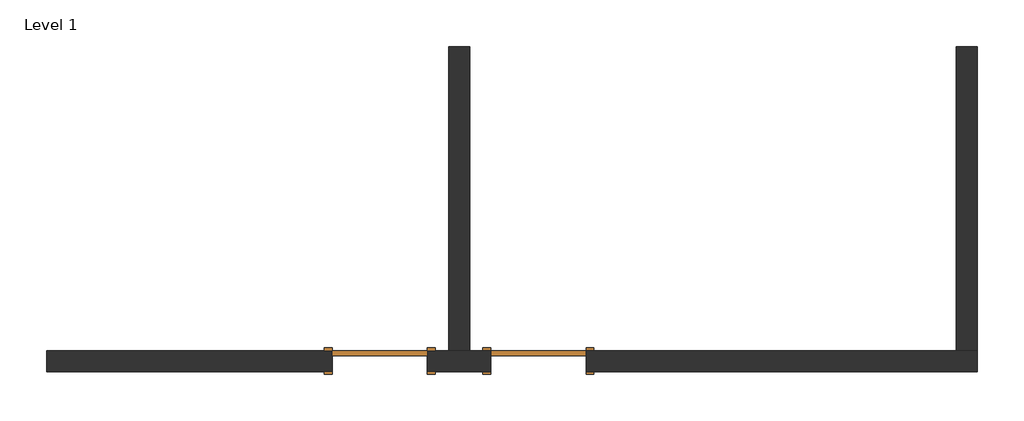
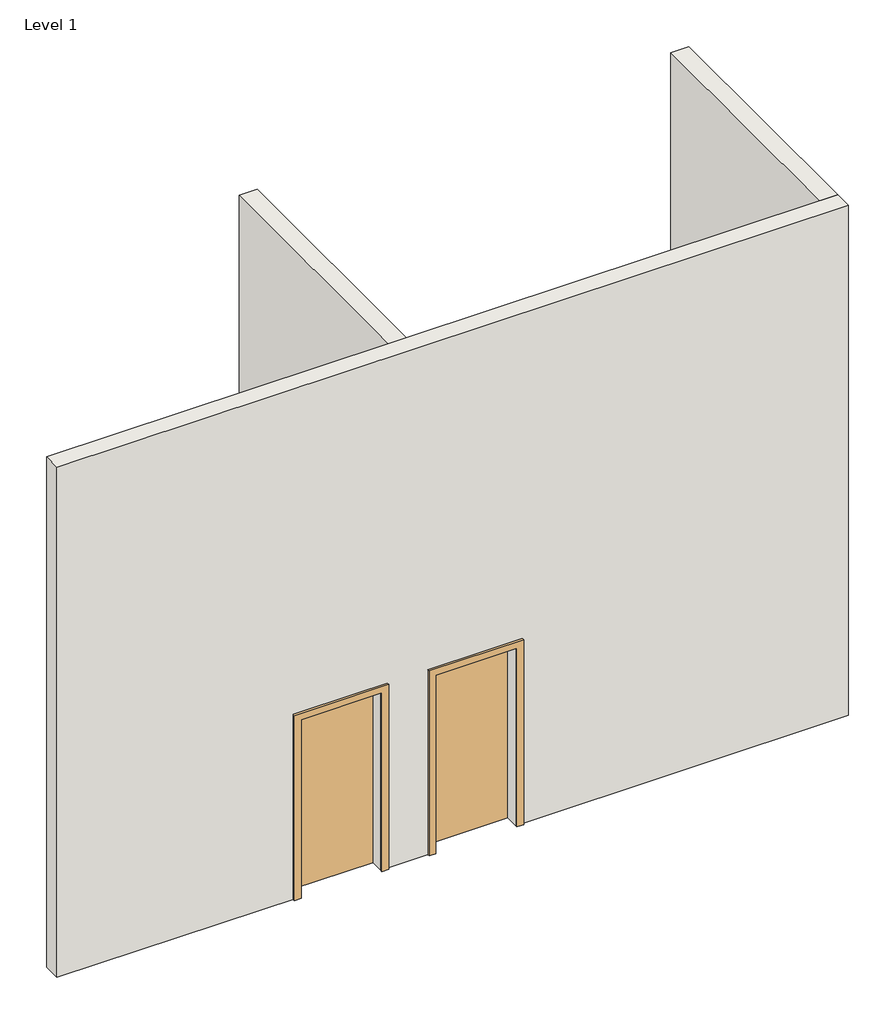
# One storey: 3 walls, 2 doors.
"""IFC4 building model written with IfcOpenShell, lengths in millimetres."""

import ifcopenshell
import ifcopenshell.guid

model = None  # the IFC model being written
_history = None  # IfcOwnerHistory: only IFC2X3 demands one
_inside = {}  # id of a spatial element -> (the spatial element, [elements in it])
_under = {}  # id of a project, library or spatial element -> (it, [spatial elements below it])
_declared = {}  # id of a project -> (the project, [libraries it declares])
_typed = {}  # id of a type object -> (the type object, [elements of that type])
_made_of = {}  # id of a material, layer set ... -> (it, [elements and type objects made of it])


def new_model(schema):
    """Start an empty IFC model of exactly this schema.

    Asked for "IFC4X3", IfcOpenShell would pick the latest addendum, in which some entities
    have other attributes; the version numbers below select the first issue.
    IFC2X3 requires an IfcOwnerHistory on every rooted entity: one is made here for all.
    """
    global model, _history
    if schema == "IFC4X3":
        model = ifcopenshell.file(schema_version=(4, 3, 0, 0))
    else:
        model = ifcopenshell.file(schema=schema)
    _inside.clear()
    _under.clear()
    _declared.clear()
    _typed.clear()
    _made_of.clear()
    _history = None
    if model.schema == "IFC2X3":
        org = make("IfcOrganization", Name="unknown")
        user = make(
            "IfcPersonAndOrganization",
            ThePerson=make("IfcPerson", FamilyName="unknown"),
            TheOrganization=org,
        )
        app = make(
            "IfcApplication",
            ApplicationDeveloper=org,
            Version="unknown",
            ApplicationFullName="unknown",
            ApplicationIdentifier="unknown",
        )
        _history = make(
            "IfcOwnerHistory",
            OwningUser=user,
            OwningApplication=app,
            ChangeAction="ADDED",
            CreationDate=0,
        )
    return model


def make(cls, **values):
    """One entity of the class cls with the attributes given. An attribute that is None is left unset."""
    return model.create_entity(
        cls, **{name: value for name, value in values.items() if value is not None}
    )


def rooted(cls, **values):
    """An entity with a GlobalId (a new one), such as an element, a storey or a relation."""
    return make(cls, GlobalId=ifcopenshell.guid.new(), OwnerHistory=_history, **values)


def si_unit(unit_type, name, prefix=None):
    """IfcSIUnit, for example si_unit("LENGTHUNIT", "METRE", prefix="MILLI")."""
    return make("IfcSIUnit", UnitType=unit_type, Prefix=prefix, Name=name)


def assignment(units):
    """IfcUnitAssignment: the units of a project."""
    return None if units is None else make("IfcUnitAssignment", Units=units)


def point(xyz):
    """IfcCartesianPoint."""
    return None if xyz is None else make("IfcCartesianPoint", Coordinates=xyz)


def direction(xyz):
    """IfcDirection."""
    return None if xyz is None else make("IfcDirection", DirectionRatios=xyz)


def frame(location, z_axis=None, x_axis=None):
    """IfcAxis2Placement3D, a coordinate frame: its origin and axes. An axis left out is left unset."""
    return make(
        "IfcAxis2Placement3D",
        Location=point(location),
        Axis=direction(z_axis),
        RefDirection=direction(x_axis),
    )


def origin():
    """The frame at (0, 0, 0) with its axes left unset."""
    return frame((0.0, 0.0, 0.0))


def origin_with_axes():
    """The frame at (0, 0, 0) with the z axis (0, 0, 1) and the x axis (1, 0, 0) written out."""
    return frame((0.0, 0.0, 0.0), z_axis=(0.0, 0.0, 1.0), x_axis=(1.0, 0.0, 0.0))


def place(relative_to, where):
    """IfcLocalPlacement: puts the frame where relative to a parent placement (None: the world)."""
    return make(
        "IfcLocalPlacement", PlacementRelTo=relative_to, RelativePlacement=where
    )


def context(
    kind, dimensions, precision=None, world=None, true_north=None, identifier=None
):
    """IfcGeometricRepresentationContext, for example the 3D "Model" context."""
    return make(
        "IfcGeometricRepresentationContext",
        ContextIdentifier=identifier,
        ContextType=kind,
        CoordinateSpaceDimension=dimensions,
        Precision=precision,
        WorldCoordinateSystem=world,
        TrueNorth=true_north,
    )


def project(units=None, contexts=None):
    """IfcProject with its units and contexts."""
    return rooted(
        "IfcProject",
        Name="project",
        RepresentationContexts=contexts,
        UnitsInContext=assignment(units),
    )


def spatial(cls, under=None, at=None, **own):
    """A site, building, storey or space (cls), placed at a placement, below another one or the project."""
    s = rooted(cls, ObjectPlacement=at, **own)
    if under is not None:
        _under.setdefault(under.id(), (under, []))[1].append(s)
    return s


def polyline(points):
    """IfcPolyline through the points."""
    return make("IfcPolyline", Points=[point(p) for p in points])


def outline(outer, holes=None, kind="AREA"):
    """IfcArbitraryClosedProfileDef: a profile drawn as a closed curve; with holes, ...WithVoids."""
    if holes is None:
        return make("IfcArbitraryClosedProfileDef", ProfileType=kind, OuterCurve=outer)
    return make(
        "IfcArbitraryProfileDefWithVoids",
        ProfileType=kind,
        OuterCurve=outer,
        InnerCurves=holes,
    )


def extrude(swept, where, along, depth):
    """IfcExtrudedAreaSolid: the profile swept, set in the frame where, extruded along a direction by depth."""
    return make(
        "IfcExtrudedAreaSolid",
        SweptArea=swept,
        Position=where,
        ExtrudedDirection=direction(along),
        Depth=depth,
    )


def faces_of(points, faces, orient=None, outer=None):
    """IfcFace entities. A face is a list of loops; a loop is a list of indices into points, from 0.

    orient and outer hold one flag for each loop. By default every Orientation is true, the
    first loop of a face is its IfcFaceOuterBound and the others are IfcFaceBound.
    """
    made = []
    for i, loops in enumerate(faces):
        bounds = []
        for j, loop in enumerate(loops):
            is_outer = j == 0 if outer is None else outer[i][j]
            bounds.append(
                make(
                    "IfcFaceOuterBound" if is_outer else "IfcFaceBound",
                    Bound=make("IfcPolyLoop", Polygon=[points[k] for k in loop]),
                    Orientation=True if orient is None else orient[i][j],
                )
            )
        made.append(make("IfcFace", Bounds=bounds))
    return made


def faceted_brep(points, faces, orient=None, outer=None, voids=None):
    """IfcFacetedBrep: a solid bounded by flat faces; with voids (closed shells), ...WithVoids."""
    shared = [point(p) for p in points]
    hull = make("IfcClosedShell", CfsFaces=faces_of(shared, faces, orient, outer))
    if voids is None:
        return make("IfcFacetedBrep", Outer=hull)
    return make(
        "IfcFacetedBrepWithVoids",
        Outer=hull,
        Voids=[
            make(cls, CfsFaces=faces_of(shared, fs, o, b)) for cls, fs, o, b in voids
        ],
    )


def shape(context_of_items, identifier, shape_type, items):
    """IfcShapeRepresentation: the items that make up one representation, for example the "Body"."""
    return make(
        "IfcShapeRepresentation",
        ContextOfItems=context_of_items,
        RepresentationIdentifier=identifier,
        RepresentationType=shape_type,
        Items=items,
    )


def source(mapping_origin, context_of_items, identifier, shape_type, items):
    """IfcRepresentationMap: a shape defined once, which mapped items show again and again."""
    return make(
        "IfcRepresentationMap",
        MappingOrigin=mapping_origin,
        MappedRepresentation=shape(context_of_items, identifier, shape_type, items),
    )


def transform(
    local_origin,
    x_axis=None,
    y_axis=None,
    z_axis=None,
    scale=None,
    scale2=None,
    scale3=None,
    uniform=True,
):
    """IfcCartesianTransformationOperator3D, or its non-uniform kind. x_axis, y_axis, z_axis: its Axis1, 2, 3."""
    if uniform:
        return make(
            "IfcCartesianTransformationOperator3D",
            Axis1=direction(x_axis),
            Axis2=direction(y_axis),
            LocalOrigin=point(local_origin),
            Scale=scale,
            Axis3=direction(z_axis),
        )
    return make(
        "IfcCartesianTransformationOperator3DnonUniform",
        Axis1=direction(x_axis),
        Axis2=direction(y_axis),
        LocalOrigin=point(local_origin),
        Scale=scale,
        Axis3=direction(z_axis),
        Scale2=scale2,
        Scale3=scale3,
    )


def mapped(mapping_source, mapping_target):
    """IfcMappedItem: shows the shape of a source again, moved by a transform."""
    return make(
        "IfcMappedItem", MappingSource=mapping_source, MappingTarget=mapping_target
    )


def made_of(thing, what):
    """Note that an element or type object is made of a material, layer set ...; save() writes the relation."""
    if what is not None:
        _made_of.setdefault(what.id(), (what, []))[1].append(thing)
    return thing


def element(
    cls,
    number,
    at=None,
    inside=None,
    cuts=None,
    type_object=None,
    material=None,
    context=None,
    identifier="Body",
    shape_type=None,
    held_by="IfcProductDefinitionShape",
    body=None,
    shapes=None,
    **own,
):
    """One element of the class cls, such as IfcWall. Its Tag is "e" and its number.

    at: its placement. inside: the storey or other place that contains it. cuts: it is an
    opening in that element (IfcRelVoidsElement). A single representation is given by context,
    identifier, shape_type and body (its items); several are given by shapes. held_by: the class
    of the entity that holds the representations. save() writes the other relations.
    """
    e = rooted(cls, Tag="e%d" % number, ObjectPlacement=at, **own)
    if body is not None:
        shapes = [shape(context, identifier, shape_type, body)]
    if shapes is not None:
        e.Representation = make(held_by, Representations=shapes)
    if inside is not None:
        _inside.setdefault(inside.id(), (inside, []))[1].append(e)
    if cuts is not None:
        rooted(
            "IfcRelVoidsElement", RelatingBuildingElement=cuts, RelatedOpeningElement=e
        )
    if type_object is not None:
        _typed.setdefault(type_object.id(), (type_object, []))[1].append(e)
    return made_of(e, material)


def aggregate(whole, parts):
    """IfcRelAggregates: a whole, such as a stair, and the parts it consists of."""
    return rooted("IfcRelAggregates", RelatingObject=whole, RelatedObjects=parts)


def save(model, path):
    """Write the relations noted so far, then the file.

    IfcRelAggregates (storeys below a building ...), IfcRelContainedInSpatialStructure (elements
    in a storey), IfcRelDefinesByType, IfcRelAssociatesMaterial and IfcRelDeclares: one each for
    every whole, place, type object, material and project.
    """
    for whole, parts in _under.values():
        aggregate(whole, parts)
    for where, things in _inside.values():
        rooted(
            "IfcRelContainedInSpatialStructure",
            RelatedElements=things,
            RelatingStructure=where,
        )
    for kind, things in _typed.values():
        rooted("IfcRelDefinesByType", RelatedObjects=things, RelatingType=kind)
    for what, things in _made_of.values():
        rooted("IfcRelAssociatesMaterial", RelatedObjects=things, RelatingMaterial=what)
    for by, libraries in _declared.values():
        rooted("IfcRelDeclares", RelatingContext=by, RelatedDefinitions=libraries)
    model.write(path)


def door_8cd1e491(model_context):
    return source(origin(), model_context, "Body", "SweptSolid", [
        extrude(outline(polyline([(457.2, 50.8), (-457.2, 50.8), (-457.2, 101.6), (457.2, 101.6), (457.2, 50.8)])), origin_with_axes(), (0.0, 0.0, 1.0), 2133.6),
        extrude(outline(polyline([(2209.8, -533.4), (0.0, -533.4), (0.0, -457.2), (2133.6, -457.2), (2133.6, 457.2), (0.0, 457.2), (0.0, 533.4), (2209.8, 533.4), (2209.8, -533.4)])), frame((0.0, 101.6, 0.0), z_axis=(0.0, 1.0, 0.0), x_axis=(0.0, 0.0, 1.0)), (0.0, 0.0, 1.0), 25.4),
        extrude(outline(polyline([(2209.8, 533.4), (2209.8, -533.4), (0.0, -533.4), (0.0, -457.2), (2133.6, -457.2), (2133.6, 457.2), (0.0, 457.2), (0.0, 533.4), (2209.8, 533.4)])), frame((0.0, -127.0, 0.0), z_axis=(0.0, 1.0, 0.0), x_axis=(0.0, 0.0, 1.0)), (0.0, 0.0, 1.0), 25.4),
    ])


def door_c0e67ed3(model_context):
    return source(origin(), model_context, "Body", "SweptSolid", [
        extrude(outline(polyline([(457.2, -50.8), (457.2, -101.6), (-457.2, -101.6), (-457.2, -50.8), (457.2, -50.8)])), origin_with_axes(), (0.0, 0.0, 1.0), 2133.6),
        extrude(outline(polyline([(2209.8, -533.4), (0.0, -533.4), (0.0, -457.2), (2133.6, -457.2), (2133.6, 457.2), (0.0, 457.2), (0.0, 533.4), (2209.8, 533.4), (2209.8, -533.4)])), frame((0.0, -127.0, 0.0), z_axis=(0.0, 1.0, 0.0), x_axis=(0.0, 0.0, 1.0)), (0.0, 0.0, 1.0), 25.4),
        extrude(outline(polyline([(2209.8, 533.4), (2209.8, -533.4), (0.0, -533.4), (0.0, -457.2), (2133.6, -457.2), (2133.6, 457.2), (0.0, 457.2), (0.0, 533.4), (2209.8, 533.4)])), frame((0.0, 101.6, 0.0), z_axis=(0.0, 1.0, 0.0), x_axis=(0.0, 0.0, 1.0)), (0.0, 0.0, 1.0), 25.4),
    ])


model = new_model("IFC4")

# Units and contexts
model_context = context("Model", 3, world=origin())
ifc_project = project(units=[si_unit("LENGTHUNIT", "METRE", prefix="MILLI")], contexts=[model_context])

# Site, building, storey
site = spatial("IfcSite", under=ifc_project)
building = spatial("IfcBuilding", under=site)
storey = spatial("IfcBuildingStorey", under=building, Name="Level 1", Elevation=0.0)

# Doors
placement = place(None, origin())
door_shape = door_8cd1e491(model_context)
element("IfcDoor", 1, ObjectType="Door-Single-Panel : 36\" x 84\"", at=placement, inside=storey, context=model_context, shape_type="MappedRepresentation", body=[
    mapped(door_shape, transform((-8461.2097748, 6772.9768082, 0.0), x_axis=(1.0, 0.0, 0.0), y_axis=(0.0, 1.0, 0.0), z_axis=(0.0, 0.0, 1.0))),
])
door_2_shape = door_c0e67ed3(model_context)
element("IfcDoor", 2, ObjectType="Door-Single-Panel : 36\" x 84\"", at=placement, inside=storey, context=model_context, shape_type="MappedRepresentation", body=[
    mapped(door_2_shape, transform((-6937.2097748, 6772.9768082, 0.0), x_axis=(-1.0, 0.0, 0.0), y_axis=(0.0, -1.0, 0.0), z_axis=(0.0, 0.0, 1.0))),
])

# Walls
element("IfcWall", 3, ObjectType="Generic - 8\"", at=placement, inside=storey, context=model_context, shape_type="Brep", body=[
    faceted_brep([(-8004.0097748, 6671.3768082, 0.0), (-7394.4097748, 6671.3768082, 0.0), (-7394.4097748, 6671.3768082, 2133.6), (-6480.0097748, 6671.3768082, 2133.6), (-6480.0097748, 6671.3768082, 0.0), (-2720.8097748, 6671.3768082, 0.0), (-2720.8097748, 6671.3768082, 6096.0), (-11661.6097748, 6671.3768082, 6096.0), (-11661.6097748, 6671.3768082, 0.0), (-8918.4097748, 6671.3768082, 0.0), (-8918.4097748, 6671.3768082, 2133.6), (-8004.0097748, 6671.3768082, 2133.6), (-7394.4097748, 6874.5768082, 2133.6), (-7394.4097748, 6874.5768082, 0.0), (-7597.6097748, 6874.5768082, 0.0), (-7800.8097748, 6874.5768082, 0.0), (-8004.0097748, 6874.5768082, 0.0), (-8004.0097748, 6874.5768082, 2133.6), (-8918.4097748, 6874.5768082, 2133.6), (-8918.4097748, 6874.5768082, 0.0), (-11661.6097748, 6874.5768082, 0.0), (-11661.6097748, 6874.5768082, 6096.0), (-7800.8097748, 6874.5768082, 6096.0), (-7597.6097748, 6874.5768082, 6096.0), (-2924.0097748, 6874.5768082, 6096.0), (-2720.8097748, 6874.5768082, 6096.0), (-2720.8097748, 6874.5768082, 0.0), (-2924.0097748, 6874.5768082, 0.0), (-6480.0097748, 6874.5768082, 0.0), (-6480.0097748, 6874.5768082, 2133.6)], [[[0, 1, 2, 3, 4, 5, 6, 7, 8, 9, 10, 11]], [[12, 13, 14, 15, 16, 17, 18, 19, 20, 21, 22, 23, 24, 25, 26, 27, 28, 29]], [[9, 8, 20, 19]], [[28, 27, 26, 5, 4]], [[16, 15, 14, 13, 1, 0]], [[7, 6, 25, 24, 23, 22, 21]], [[8, 7, 21, 20]], [[6, 5, 26, 25]], [[17, 16, 0, 11]], [[18, 17, 11, 10]], [[19, 18, 10, 9]], [[2, 1, 13, 12]], [[3, 2, 12, 29]], [[4, 3, 29, 28]]]),
])
element("IfcWall", 4, ObjectType="Generic - 8\"", at=placement, inside=storey, context=model_context, shape_type="SweptSolid", body=[
    extrude(outline(polyline([(-2720.8097748, 9794.7537871), (-2720.8097748, 6874.5768082), (-2924.0097748, 6874.5768082), (-2924.0097748, 9794.7537871), (-2720.8097748, 9794.7537871)])), origin_with_axes(), (0.0, 0.0, 1.0), 6096.0),
])
element("IfcWall", 5, ObjectType="Generic - 8\"", at=placement, inside=storey, context=model_context, shape_type="SweptSolid", body=[
    extrude(outline(polyline([(-7597.6097748, 9794.7537871), (-7597.6097748, 6874.5768082), (-7800.8097748, 6874.5768082), (-7800.8097748, 9794.7537871), (-7597.6097748, 9794.7537871)])), origin_with_axes(), (0.0, 0.0, 1.0), 6096.0),
])

save(model, "model.ifc")
